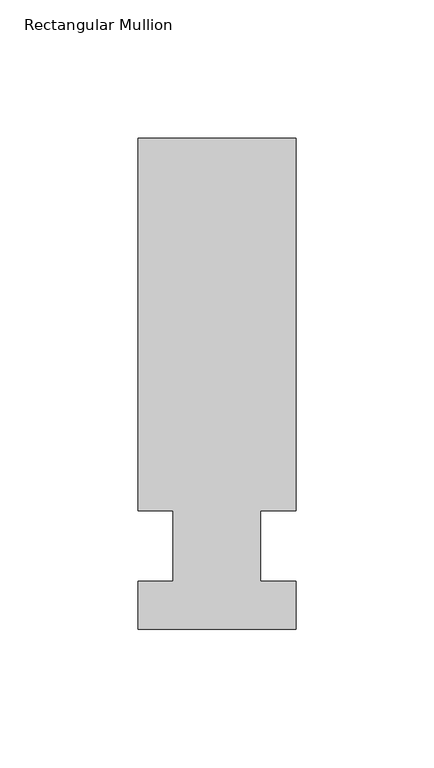
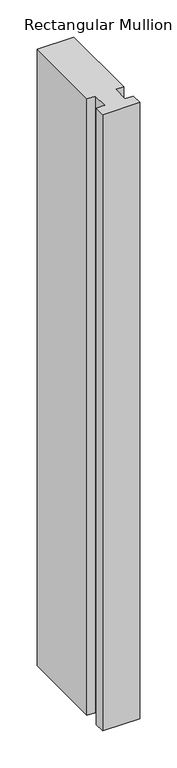
"""IFC4 building model written with IfcOpenShell, lengths in millimetres: member geometry, Rectangular Mullion."""

from ifc_helpers import new_model, si_unit, frame, origin, place, context, project, spatial, polyline, outline, extrude, source, transform, mapped, element, save


def rectangular_mullion_9a118f9f(model_context):
    return source(origin(), model_context, "Body", "SweptSolid", [
        extrude(outline(polyline([(28.575, 147.6375), (28.575, 12.7), (15.8732296, 12.7), (15.8732296, -12.7), (28.575, -12.7), (28.575, -30.1625), (-28.575, -30.1625), (-28.575, -12.7), (-15.875, -12.7), (-15.875, 12.7), (-28.575, 12.7), (-28.575, 147.6375), (28.575, 147.6375)])), frame((0.0, 0.0, -1016.0), z_axis=(0.0, 0.0, 1.0), x_axis=(1.0, 0.0, 0.0)), (0.0, 0.0, 1.0), 1016.0),
    ])


if __name__ == "__main__":
    model = new_model("IFC4")
    model_context = context("Model", 3, world=origin())
    ifc_project = project(units=[si_unit("LENGTHUNIT", "METRE", prefix="MILLI")], contexts=[model_context])
    site = spatial("IfcSite", under=ifc_project)
    building = spatial("IfcBuilding", under=site)
    placement = place(None, origin())
    rectangular_mullion_shape = rectangular_mullion_9a118f9f(model_context)
    element("IfcMember", 1, ObjectType="Rectangular Mullion", at=placement, inside=building, context=model_context, shape_type="MappedRepresentation", body=[
        mapped(rectangular_mullion_shape, transform((0.0, 0.0, 0.0), x_axis=(1.0, 0.0, 0.0), y_axis=(0.0, 1.0, 0.0), z_axis=(0.0, 0.0, 1.0))),
    ])
    save(model, "model.ifc")
